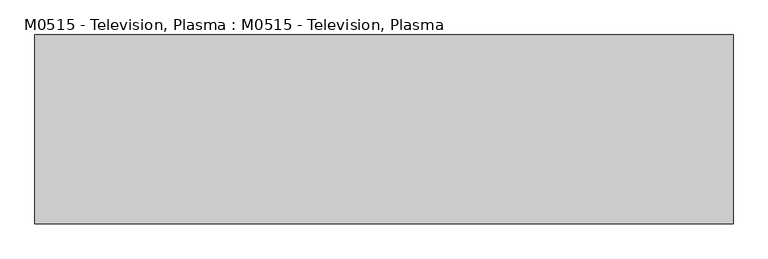
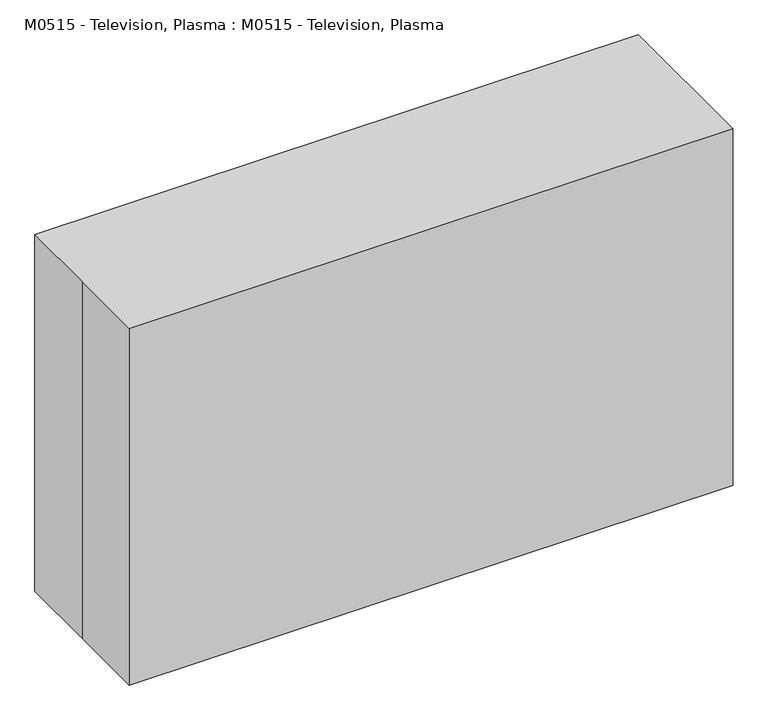
"""IFC4 building model written with IfcOpenShell, lengths in millimetres: proxy geometry, M0515 - Television, Plasma : M0515 - Television, Plasma."""

from ifc_helpers import new_model, si_unit, frame, origin, origin_with_axes, place, context, project, spatial, polyline, outline, extrude, source, transform, mapped, element, save


def m0515_television_plasma_m0515_television_plasma_2e7fd35f(model_context):
    return source(origin(), model_context, "Body", "SweptSolid", [
        extrude(outline(polyline([(-490.2983915, -38.1), (-541.0983915, -38.1), (-541.0983915, 0.0), (-490.2983915, 0.0), (-490.2983915, -38.1)])), frame((0.0, 0.0, 101.6), z_axis=(0.0, 0.0, 1.0), x_axis=(1.0, 0.0, 0.0)), (0.0, 0.0, 1.0), 573.8106904),
        extrude(outline(polyline([(541.0983915, -38.1), (490.2983915, -38.1), (490.2983915, 0.0), (541.0983915, 0.0), (541.0983915, -38.1)])), frame((0.0, 0.0, 101.6), z_axis=(0.0, 0.0, 1.0), x_axis=(1.0, 0.0, 0.0)), (0.0, 0.0, 1.0), 573.8106904),
        extrude(outline(polyline([(675.4106904, 490.2983915), (675.4106904, -490.2983915), (101.6, -490.2983915), (101.6, 490.2983915), (675.4106904, 490.2983915)]), holes=[polyline([(650.0106904, 464.8983915), (127.0, 464.8983915), (127.0, -464.8983915), (650.0106904, -464.8983915), (650.0106904, 464.8983915)])]), frame((0.0, -38.1, 0.0), z_axis=(0.0, 1.0, 0.0), x_axis=(0.0, 0.0, 1.0)), (0.0, 0.0, 1.0), 76.2),
        extrude(outline(polyline([(464.8983915, -12.7), (-464.8983915, -12.7), (-464.8983915, 38.1), (464.8983915, 38.1), (464.8983915, -12.7)])), frame((0.0, 0.0, 127.0), z_axis=(0.0, 0.0, 1.0), x_axis=(1.0, 0.0, 0.0)), (0.0, 0.0, 1.0), 523.0106904),
        extrude(outline(polyline([(-609.6, 165.1), (609.6, 165.1), (609.6, -165.1), (-609.6, -165.1), (-609.6, 0.0), (-609.6, 165.1)])), origin_with_axes(), (0.0, 0.0, 1.0), 762.0),
    ])


if __name__ == "__main__":
    model = new_model("IFC4")
    model_context = context("Model", 3, world=origin())
    ifc_project = project(units=[si_unit("LENGTHUNIT", "METRE", prefix="MILLI")], contexts=[model_context])
    site = spatial("IfcSite", under=ifc_project)
    building = spatial("IfcBuilding", under=site)
    placement = place(None, origin())
    m0515_television_plasma_m0515_television_plasma_shape = m0515_television_plasma_m0515_television_plasma_2e7fd35f(model_context)
    element("IfcBuildingElementProxy", 1, Name="M0515 - Television, Plasma : M0515 - Television, Plasma", ObjectType="M0515 - Television, Plasma : M0515 - Television, Plasma", at=placement, inside=building, context=model_context, shape_type="MappedRepresentation", body=[
        mapped(m0515_television_plasma_m0515_television_plasma_shape, transform((0.0, 0.0, 0.0), x_axis=(1.0, 0.0, 0.0), y_axis=(0.0, 1.0, 0.0), z_axis=(0.0, 0.0, 1.0))),
    ])
    save(model, "model.ifc")
